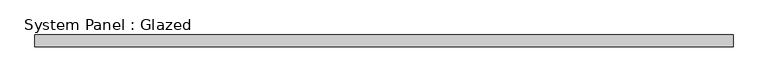
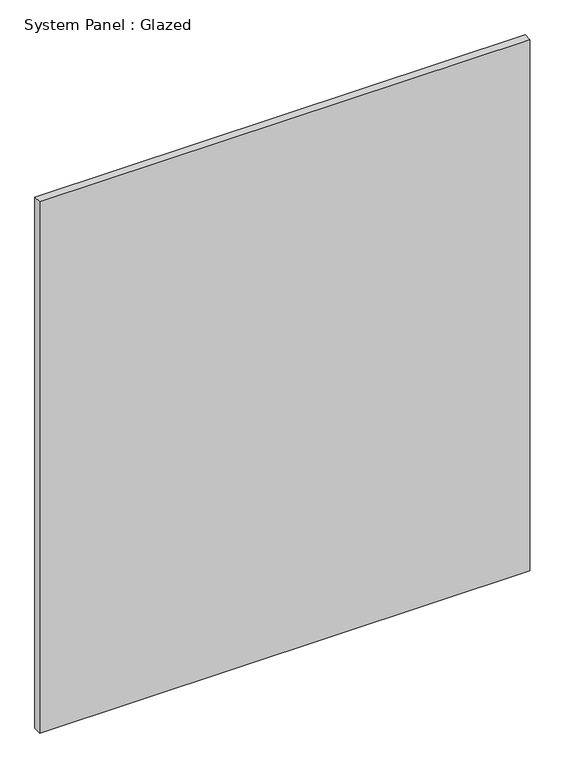
"""IFC4 building model written with IfcOpenShell, lengths in millimetres: plate geometry, System Panel : Glazed."""

from ifc_helpers import new_model, si_unit, origin, origin_with_axes, place, context, project, spatial, polyline, outline, extrude, source, transform, mapped, element, save


def system_panel_glazed_aa8696b0(model_context):
    return source(origin(), model_context, "Body", "SweptSolid", [
        extrude(outline(polyline([(744.2501096, 24.5), (-744.2501096, 24.5), (-744.2501096, 49.5), (744.2501096, 49.5), (744.2501096, 24.5)])), origin_with_axes(), (0.0, 0.0, 1.0), 1705.0),
    ])


if __name__ == "__main__":
    model = new_model("IFC4")
    model_context = context("Model", 3, world=origin())
    ifc_project = project(units=[si_unit("LENGTHUNIT", "METRE", prefix="MILLI")], contexts=[model_context])
    site = spatial("IfcSite", under=ifc_project)
    building = spatial("IfcBuilding", under=site)
    placement = place(None, origin())
    system_panel_glazed_shape = system_panel_glazed_aa8696b0(model_context)
    element("IfcPlate", 1, ObjectType="System Panel : Glazed", at=placement, inside=building, context=model_context, shape_type="MappedRepresentation", body=[
        mapped(system_panel_glazed_shape, transform((0.0, 0.0, 0.0), x_axis=(1.0, 0.0, 0.0), y_axis=(0.0, 1.0, 0.0), z_axis=(0.0, 0.0, 1.0))),
    ])
    save(model, "model.ifc")
